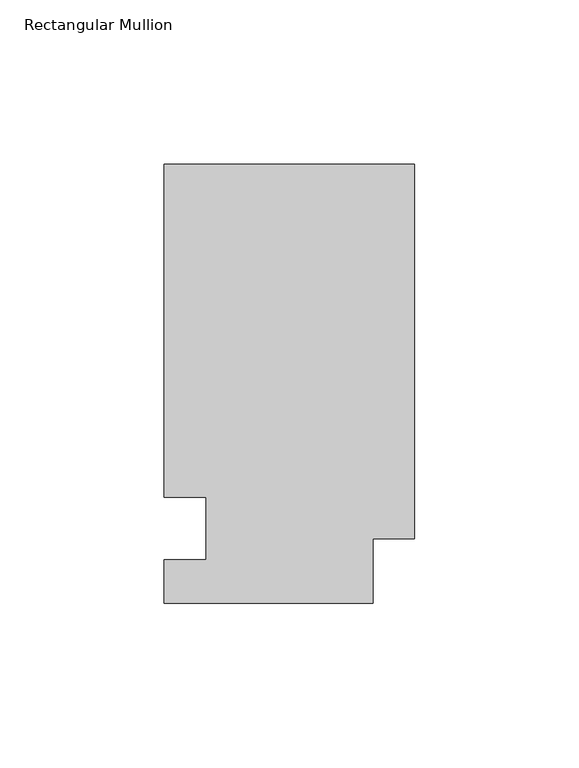
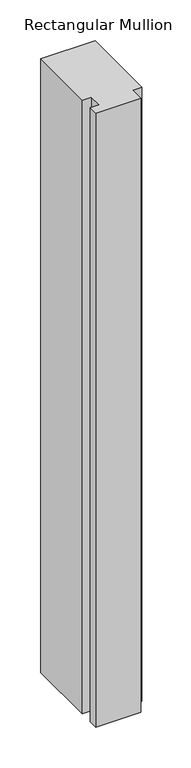
"""IFC4 building model written with IfcOpenShell, lengths in millimetres: member geometry, Rectangular Mullion."""

import ifcopenshell
import ifcopenshell.guid

model = None  # the IFC model being written
_history = None  # IfcOwnerHistory: only IFC2X3 demands one
_inside = {}  # id of a spatial element -> (the spatial element, [elements in it])
_under = {}  # id of a project, library or spatial element -> (it, [spatial elements below it])
_declared = {}  # id of a project -> (the project, [libraries it declares])
_typed = {}  # id of a type object -> (the type object, [elements of that type])
_made_of = {}  # id of a material, layer set ... -> (it, [elements and type objects made of it])


def new_model(schema):
    """Start an empty IFC model of exactly this schema.

    Asked for "IFC4X3", IfcOpenShell would pick the latest addendum, in which some entities
    have other attributes; the version numbers below select the first issue.
    IFC2X3 requires an IfcOwnerHistory on every rooted entity: one is made here for all.
    """
    global model, _history
    if schema == "IFC4X3":
        model = ifcopenshell.file(schema_version=(4, 3, 0, 0))
    else:
        model = ifcopenshell.file(schema=schema)
    _inside.clear()
    _under.clear()
    _declared.clear()
    _typed.clear()
    _made_of.clear()
    _history = None
    if model.schema == "IFC2X3":
        org = make("IfcOrganization", Name="unknown")
        user = make(
            "IfcPersonAndOrganization",
            ThePerson=make("IfcPerson", FamilyName="unknown"),
            TheOrganization=org,
        )
        app = make(
            "IfcApplication",
            ApplicationDeveloper=org,
            Version="unknown",
            ApplicationFullName="unknown",
            ApplicationIdentifier="unknown",
        )
        _history = make(
            "IfcOwnerHistory",
            OwningUser=user,
            OwningApplication=app,
            ChangeAction="ADDED",
            CreationDate=0,
        )
    return model


def make(cls, **values):
    """One entity of the class cls with the attributes given. An attribute that is None is left unset."""
    return model.create_entity(
        cls, **{name: value for name, value in values.items() if value is not None}
    )


def rooted(cls, **values):
    """An entity with a GlobalId (a new one), such as an element, a storey or a relation."""
    return make(cls, GlobalId=ifcopenshell.guid.new(), OwnerHistory=_history, **values)


def si_unit(unit_type, name, prefix=None):
    """IfcSIUnit, for example si_unit("LENGTHUNIT", "METRE", prefix="MILLI")."""
    return make("IfcSIUnit", UnitType=unit_type, Prefix=prefix, Name=name)


def assignment(units):
    """IfcUnitAssignment: the units of a project."""
    return None if units is None else make("IfcUnitAssignment", Units=units)


def point(xyz):
    """IfcCartesianPoint."""
    return None if xyz is None else make("IfcCartesianPoint", Coordinates=xyz)


def direction(xyz):
    """IfcDirection."""
    return None if xyz is None else make("IfcDirection", DirectionRatios=xyz)


def frame(location, z_axis=None, x_axis=None):
    """IfcAxis2Placement3D, a coordinate frame: its origin and axes. An axis left out is left unset."""
    return make(
        "IfcAxis2Placement3D",
        Location=point(location),
        Axis=direction(z_axis),
        RefDirection=direction(x_axis),
    )


def origin():
    """The frame at (0, 0, 0) with its axes left unset."""
    return frame((0.0, 0.0, 0.0))


def place(relative_to, where):
    """IfcLocalPlacement: puts the frame where relative to a parent placement (None: the world)."""
    return make(
        "IfcLocalPlacement", PlacementRelTo=relative_to, RelativePlacement=where
    )


def context(
    kind, dimensions, precision=None, world=None, true_north=None, identifier=None
):
    """IfcGeometricRepresentationContext, for example the 3D "Model" context."""
    return make(
        "IfcGeometricRepresentationContext",
        ContextIdentifier=identifier,
        ContextType=kind,
        CoordinateSpaceDimension=dimensions,
        Precision=precision,
        WorldCoordinateSystem=world,
        TrueNorth=true_north,
    )


def project(units=None, contexts=None):
    """IfcProject with its units and contexts."""
    return rooted(
        "IfcProject",
        Name="project",
        RepresentationContexts=contexts,
        UnitsInContext=assignment(units),
    )


def spatial(cls, under=None, at=None, **own):
    """A site, building, storey or space (cls), placed at a placement, below another one or the project."""
    s = rooted(cls, ObjectPlacement=at, **own)
    if under is not None:
        _under.setdefault(under.id(), (under, []))[1].append(s)
    return s


def polyline(points):
    """IfcPolyline through the points."""
    return make("IfcPolyline", Points=[point(p) for p in points])


def outline(outer, holes=None, kind="AREA"):
    """IfcArbitraryClosedProfileDef: a profile drawn as a closed curve; with holes, ...WithVoids."""
    if holes is None:
        return make("IfcArbitraryClosedProfileDef", ProfileType=kind, OuterCurve=outer)
    return make(
        "IfcArbitraryProfileDefWithVoids",
        ProfileType=kind,
        OuterCurve=outer,
        InnerCurves=holes,
    )


def extrude(swept, where, along, depth):
    """IfcExtrudedAreaSolid: the profile swept, set in the frame where, extruded along a direction by depth."""
    return make(
        "IfcExtrudedAreaSolid",
        SweptArea=swept,
        Position=where,
        ExtrudedDirection=direction(along),
        Depth=depth,
    )


def shape(context_of_items, identifier, shape_type, items):
    """IfcShapeRepresentation: the items that make up one representation, for example the "Body"."""
    return make(
        "IfcShapeRepresentation",
        ContextOfItems=context_of_items,
        RepresentationIdentifier=identifier,
        RepresentationType=shape_type,
        Items=items,
    )


def source(mapping_origin, context_of_items, identifier, shape_type, items):
    """IfcRepresentationMap: a shape defined once, which mapped items show again and again."""
    return make(
        "IfcRepresentationMap",
        MappingOrigin=mapping_origin,
        MappedRepresentation=shape(context_of_items, identifier, shape_type, items),
    )


def transform(
    local_origin,
    x_axis=None,
    y_axis=None,
    z_axis=None,
    scale=None,
    scale2=None,
    scale3=None,
    uniform=True,
):
    """IfcCartesianTransformationOperator3D, or its non-uniform kind. x_axis, y_axis, z_axis: its Axis1, 2, 3."""
    if uniform:
        return make(
            "IfcCartesianTransformationOperator3D",
            Axis1=direction(x_axis),
            Axis2=direction(y_axis),
            LocalOrigin=point(local_origin),
            Scale=scale,
            Axis3=direction(z_axis),
        )
    return make(
        "IfcCartesianTransformationOperator3DnonUniform",
        Axis1=direction(x_axis),
        Axis2=direction(y_axis),
        LocalOrigin=point(local_origin),
        Scale=scale,
        Axis3=direction(z_axis),
        Scale2=scale2,
        Scale3=scale3,
    )


def mapped(mapping_source, mapping_target):
    """IfcMappedItem: shows the shape of a source again, moved by a transform."""
    return make(
        "IfcMappedItem", MappingSource=mapping_source, MappingTarget=mapping_target
    )


def made_of(thing, what):
    """Note that an element or type object is made of a material, layer set ...; save() writes the relation."""
    if what is not None:
        _made_of.setdefault(what.id(), (what, []))[1].append(thing)
    return thing


def element(
    cls,
    number,
    at=None,
    inside=None,
    cuts=None,
    type_object=None,
    material=None,
    context=None,
    identifier="Body",
    shape_type=None,
    held_by="IfcProductDefinitionShape",
    body=None,
    shapes=None,
    **own,
):
    """One element of the class cls, such as IfcWall. Its Tag is "e" and its number.

    at: its placement. inside: the storey or other place that contains it. cuts: it is an
    opening in that element (IfcRelVoidsElement). A single representation is given by context,
    identifier, shape_type and body (its items); several are given by shapes. held_by: the class
    of the entity that holds the representations. save() writes the other relations.
    """
    e = rooted(cls, Tag="e%d" % number, ObjectPlacement=at, **own)
    if body is not None:
        shapes = [shape(context, identifier, shape_type, body)]
    if shapes is not None:
        e.Representation = make(held_by, Representations=shapes)
    if inside is not None:
        _inside.setdefault(inside.id(), (inside, []))[1].append(e)
    if cuts is not None:
        rooted(
            "IfcRelVoidsElement", RelatingBuildingElement=cuts, RelatedOpeningElement=e
        )
    if type_object is not None:
        _typed.setdefault(type_object.id(), (type_object, []))[1].append(e)
    return made_of(e, material)


def aggregate(whole, parts):
    """IfcRelAggregates: a whole, such as a stair, and the parts it consists of."""
    return rooted("IfcRelAggregates", RelatingObject=whole, RelatedObjects=parts)


def save(model, path):
    """Write the relations noted so far, then the file.

    IfcRelAggregates (storeys below a building ...), IfcRelContainedInSpatialStructure (elements
    in a storey), IfcRelDefinesByType, IfcRelAssociatesMaterial and IfcRelDeclares: one each for
    every whole, place, type object, material and project.
    """
    for whole, parts in _under.values():
        aggregate(whole, parts)
    for where, things in _inside.values():
        rooted(
            "IfcRelContainedInSpatialStructure",
            RelatedElements=things,
            RelatingStructure=where,
        )
    for kind, things in _typed.values():
        rooted("IfcRelDefinesByType", RelatedObjects=things, RelatingType=kind)
    for what, things in _made_of.values():
        rooted("IfcRelAssociatesMaterial", RelatedObjects=things, RelatingMaterial=what)
    for by, libraries in _declared.values():
        rooted("IfcRelDeclares", RelatingContext=by, RelatedDefinitions=libraries)
    model.write(path)


def rectangular_mullion_720ca8de(model_context):
    return source(origin(), model_context, "Body", "SweptSolid", [
        extrude(outline(polyline([(0.0, 133.4396937), (0.0, 19.5460937), (-12.7, 19.5460937), (-12.7, 0.0134937), (-76.2, 0.0134937), (-76.2, 13.1960937), (-63.5, 13.1960937), (-63.5, 32.2460938), (-76.2, 32.2460937), (-76.2, 133.4396937), (0.0, 133.4396937)])), frame((0.0, 0.0, -914.4), z_axis=(0.0, 0.0, 1.0), x_axis=(1.0, 0.0, 0.0)), (0.0, 0.0, 1.0), 914.4),
    ])


if __name__ == "__main__":
    model = new_model("IFC4")
    model_context = context("Model", 3, world=origin())
    ifc_project = project(units=[si_unit("LENGTHUNIT", "METRE", prefix="MILLI")], contexts=[model_context])
    site = spatial("IfcSite", under=ifc_project)
    building = spatial("IfcBuilding", under=site)
    placement = place(None, origin())
    rectangular_mullion_shape = rectangular_mullion_720ca8de(model_context)
    element("IfcMember", 1, ObjectType="Rectangular Mullion", at=placement, inside=building, context=model_context, shape_type="MappedRepresentation", body=[
        mapped(rectangular_mullion_shape, transform((0.0, 0.0, 0.0), x_axis=(1.0, 0.0, 0.0), y_axis=(0.0, 1.0, 0.0), z_axis=(0.0, 0.0, 1.0))),
    ])
    save(model, "model.ifc")
